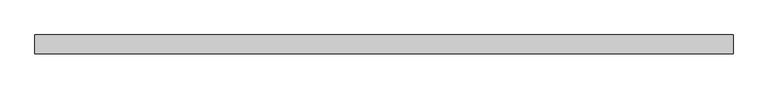
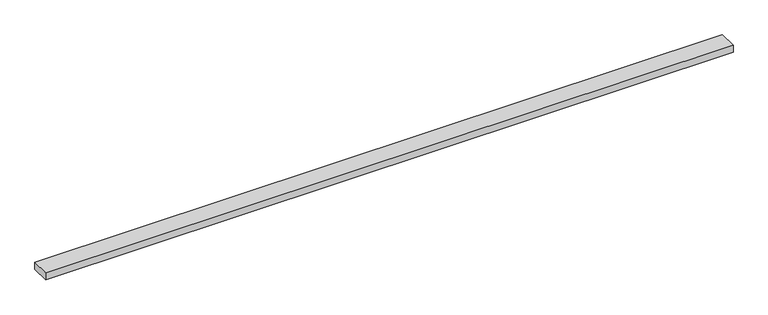
"""IFC4 building model written with IfcOpenShell, lengths in millimetres: beam geometry."""

from ifc_helpers import new_model, si_unit, frame, origin, place, context, project, spatial, polyline, outline, extrude, source, transform, mapped, element, save


def beam_17827750(model_context):
    return source(origin(), model_context, "Body", "SweptSolid", [
        extrude(outline(polyline([(838.2, -22.5), (-838.2, -22.5), (-838.2, 22.5), (838.2, 22.5), (838.2, -22.5)])), frame((0.0, 0.0, -9.0), z_axis=(0.0, 0.0, 1.0), x_axis=(1.0, 0.0, 0.0)), (0.0, 0.0, 1.0), 18.0),
    ])


if __name__ == "__main__":
    model = new_model("IFC4")
    model_context = context("Model", 3, world=origin())
    ifc_project = project(units=[si_unit("LENGTHUNIT", "METRE", prefix="MILLI")], contexts=[model_context])
    site = spatial("IfcSite", under=ifc_project)
    building = spatial("IfcBuilding", under=site)
    placement = place(None, origin())
    beam_shape = beam_17827750(model_context)
    element("IfcBeam", 1, at=placement, inside=building, context=model_context, shape_type="MappedRepresentation", body=[
        mapped(beam_shape, transform((0.0, 0.0, 0.0), x_axis=(1.0, 0.0, 0.0), y_axis=(0.0, 1.0, 0.0), z_axis=(0.0, 0.0, 1.0))),
    ])
    save(model, "model.ifc")
